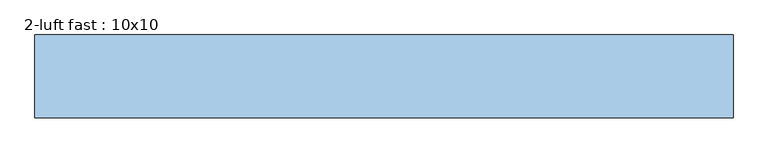
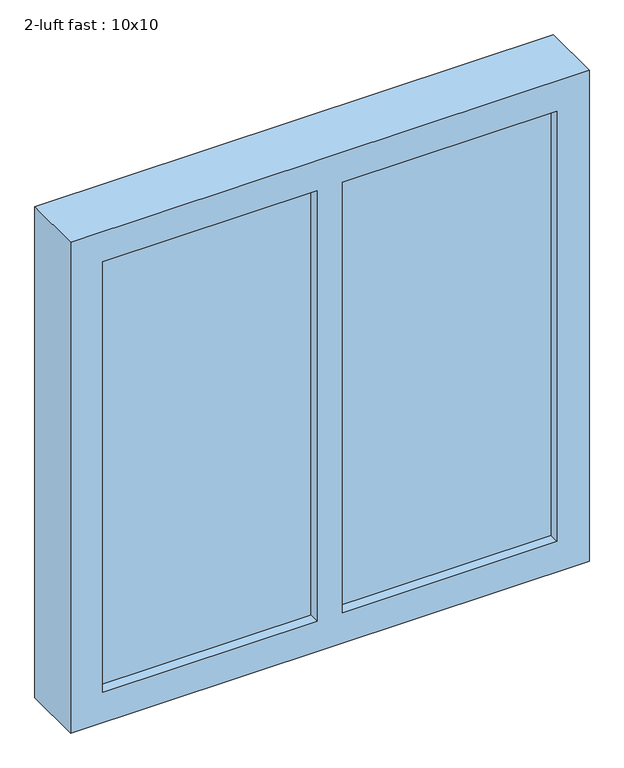
"""IFC4 building model written with IfcOpenShell, lengths in millimetres: window geometry, 2-luft fast : 10x10."""

import ifcopenshell
import ifcopenshell.guid

model = None  # the IFC model being written
_history = None  # IfcOwnerHistory: only IFC2X3 demands one
_inside = {}  # id of a spatial element -> (the spatial element, [elements in it])
_under = {}  # id of a project, library or spatial element -> (it, [spatial elements below it])
_declared = {}  # id of a project -> (the project, [libraries it declares])
_typed = {}  # id of a type object -> (the type object, [elements of that type])
_made_of = {}  # id of a material, layer set ... -> (it, [elements and type objects made of it])


def new_model(schema):
    """Start an empty IFC model of exactly this schema.

    Asked for "IFC4X3", IfcOpenShell would pick the latest addendum, in which some entities
    have other attributes; the version numbers below select the first issue.
    IFC2X3 requires an IfcOwnerHistory on every rooted entity: one is made here for all.
    """
    global model, _history
    if schema == "IFC4X3":
        model = ifcopenshell.file(schema_version=(4, 3, 0, 0))
    else:
        model = ifcopenshell.file(schema=schema)
    _inside.clear()
    _under.clear()
    _declared.clear()
    _typed.clear()
    _made_of.clear()
    _history = None
    if model.schema == "IFC2X3":
        org = make("IfcOrganization", Name="unknown")
        user = make(
            "IfcPersonAndOrganization",
            ThePerson=make("IfcPerson", FamilyName="unknown"),
            TheOrganization=org,
        )
        app = make(
            "IfcApplication",
            ApplicationDeveloper=org,
            Version="unknown",
            ApplicationFullName="unknown",
            ApplicationIdentifier="unknown",
        )
        _history = make(
            "IfcOwnerHistory",
            OwningUser=user,
            OwningApplication=app,
            ChangeAction="ADDED",
            CreationDate=0,
        )
    return model


def make(cls, **values):
    """One entity of the class cls with the attributes given. An attribute that is None is left unset."""
    return model.create_entity(
        cls, **{name: value for name, value in values.items() if value is not None}
    )


def rooted(cls, **values):
    """An entity with a GlobalId (a new one), such as an element, a storey or a relation."""
    return make(cls, GlobalId=ifcopenshell.guid.new(), OwnerHistory=_history, **values)


def si_unit(unit_type, name, prefix=None):
    """IfcSIUnit, for example si_unit("LENGTHUNIT", "METRE", prefix="MILLI")."""
    return make("IfcSIUnit", UnitType=unit_type, Prefix=prefix, Name=name)


def assignment(units):
    """IfcUnitAssignment: the units of a project."""
    return None if units is None else make("IfcUnitAssignment", Units=units)


def point(xyz):
    """IfcCartesianPoint."""
    return None if xyz is None else make("IfcCartesianPoint", Coordinates=xyz)


def direction(xyz):
    """IfcDirection."""
    return None if xyz is None else make("IfcDirection", DirectionRatios=xyz)


def frame(location, z_axis=None, x_axis=None):
    """IfcAxis2Placement3D, a coordinate frame: its origin and axes. An axis left out is left unset."""
    return make(
        "IfcAxis2Placement3D",
        Location=point(location),
        Axis=direction(z_axis),
        RefDirection=direction(x_axis),
    )


def origin():
    """The frame at (0, 0, 0) with its axes left unset."""
    return frame((0.0, 0.0, 0.0))


def place(relative_to, where):
    """IfcLocalPlacement: puts the frame where relative to a parent placement (None: the world)."""
    return make(
        "IfcLocalPlacement", PlacementRelTo=relative_to, RelativePlacement=where
    )


def context(
    kind, dimensions, precision=None, world=None, true_north=None, identifier=None
):
    """IfcGeometricRepresentationContext, for example the 3D "Model" context."""
    return make(
        "IfcGeometricRepresentationContext",
        ContextIdentifier=identifier,
        ContextType=kind,
        CoordinateSpaceDimension=dimensions,
        Precision=precision,
        WorldCoordinateSystem=world,
        TrueNorth=true_north,
    )


def project(units=None, contexts=None):
    """IfcProject with its units and contexts."""
    return rooted(
        "IfcProject",
        Name="project",
        RepresentationContexts=contexts,
        UnitsInContext=assignment(units),
    )


def spatial(cls, under=None, at=None, **own):
    """A site, building, storey or space (cls), placed at a placement, below another one or the project."""
    s = rooted(cls, ObjectPlacement=at, **own)
    if under is not None:
        _under.setdefault(under.id(), (under, []))[1].append(s)
    return s


def polyline(points):
    """IfcPolyline through the points."""
    return make("IfcPolyline", Points=[point(p) for p in points])


def outline(outer, holes=None, kind="AREA"):
    """IfcArbitraryClosedProfileDef: a profile drawn as a closed curve; with holes, ...WithVoids."""
    if holes is None:
        return make("IfcArbitraryClosedProfileDef", ProfileType=kind, OuterCurve=outer)
    return make(
        "IfcArbitraryProfileDefWithVoids",
        ProfileType=kind,
        OuterCurve=outer,
        InnerCurves=holes,
    )


def extrude(swept, where, along, depth):
    """IfcExtrudedAreaSolid: the profile swept, set in the frame where, extruded along a direction by depth."""
    return make(
        "IfcExtrudedAreaSolid",
        SweptArea=swept,
        Position=where,
        ExtrudedDirection=direction(along),
        Depth=depth,
    )


def shape(context_of_items, identifier, shape_type, items):
    """IfcShapeRepresentation: the items that make up one representation, for example the "Body"."""
    return make(
        "IfcShapeRepresentation",
        ContextOfItems=context_of_items,
        RepresentationIdentifier=identifier,
        RepresentationType=shape_type,
        Items=items,
    )


def source(mapping_origin, context_of_items, identifier, shape_type, items):
    """IfcRepresentationMap: a shape defined once, which mapped items show again and again."""
    return make(
        "IfcRepresentationMap",
        MappingOrigin=mapping_origin,
        MappedRepresentation=shape(context_of_items, identifier, shape_type, items),
    )


def transform(
    local_origin,
    x_axis=None,
    y_axis=None,
    z_axis=None,
    scale=None,
    scale2=None,
    scale3=None,
    uniform=True,
):
    """IfcCartesianTransformationOperator3D, or its non-uniform kind. x_axis, y_axis, z_axis: its Axis1, 2, 3."""
    if uniform:
        return make(
            "IfcCartesianTransformationOperator3D",
            Axis1=direction(x_axis),
            Axis2=direction(y_axis),
            LocalOrigin=point(local_origin),
            Scale=scale,
            Axis3=direction(z_axis),
        )
    return make(
        "IfcCartesianTransformationOperator3DnonUniform",
        Axis1=direction(x_axis),
        Axis2=direction(y_axis),
        LocalOrigin=point(local_origin),
        Scale=scale,
        Axis3=direction(z_axis),
        Scale2=scale2,
        Scale3=scale3,
    )


def mapped(mapping_source, mapping_target):
    """IfcMappedItem: shows the shape of a source again, moved by a transform."""
    return make(
        "IfcMappedItem", MappingSource=mapping_source, MappingTarget=mapping_target
    )


def made_of(thing, what):
    """Note that an element or type object is made of a material, layer set ...; save() writes the relation."""
    if what is not None:
        _made_of.setdefault(what.id(), (what, []))[1].append(thing)
    return thing


def element(
    cls,
    number,
    at=None,
    inside=None,
    cuts=None,
    type_object=None,
    material=None,
    context=None,
    identifier="Body",
    shape_type=None,
    held_by="IfcProductDefinitionShape",
    body=None,
    shapes=None,
    **own,
):
    """One element of the class cls, such as IfcWall. Its Tag is "e" and its number.

    at: its placement. inside: the storey or other place that contains it. cuts: it is an
    opening in that element (IfcRelVoidsElement). A single representation is given by context,
    identifier, shape_type and body (its items); several are given by shapes. held_by: the class
    of the entity that holds the representations. save() writes the other relations.
    """
    e = rooted(cls, Tag="e%d" % number, ObjectPlacement=at, **own)
    if body is not None:
        shapes = [shape(context, identifier, shape_type, body)]
    if shapes is not None:
        e.Representation = make(held_by, Representations=shapes)
    if inside is not None:
        _inside.setdefault(inside.id(), (inside, []))[1].append(e)
    if cuts is not None:
        rooted(
            "IfcRelVoidsElement", RelatingBuildingElement=cuts, RelatedOpeningElement=e
        )
    if type_object is not None:
        _typed.setdefault(type_object.id(), (type_object, []))[1].append(e)
    return made_of(e, material)


def aggregate(whole, parts):
    """IfcRelAggregates: a whole, such as a stair, and the parts it consists of."""
    return rooted("IfcRelAggregates", RelatingObject=whole, RelatedObjects=parts)


def save(model, path):
    """Write the relations noted so far, then the file.

    IfcRelAggregates (storeys below a building ...), IfcRelContainedInSpatialStructure (elements
    in a storey), IfcRelDefinesByType, IfcRelAssociatesMaterial and IfcRelDeclares: one each for
    every whole, place, type object, material and project.
    """
    for whole, parts in _under.values():
        aggregate(whole, parts)
    for where, things in _inside.values():
        rooted(
            "IfcRelContainedInSpatialStructure",
            RelatedElements=things,
            RelatingStructure=where,
        )
    for kind, things in _typed.values():
        rooted("IfcRelDefinesByType", RelatedObjects=things, RelatingType=kind)
    for what, things in _made_of.values():
        rooted("IfcRelAssociatesMaterial", RelatedObjects=things, RelatingMaterial=what)
    for by, libraries in _declared.values():
        rooted("IfcRelDeclares", RelatingContext=by, RelatedDefinitions=libraries)
    model.write(path)


def window_2_luft_fast_10x10_2b529ab1(model_context):
    return source(origin(), model_context, "Body", "SweptSolid", [
        extrude(outline(polyline([(2150.0, -505.0), (1140.0, -505.0), (1140.0, 505.0), (2150.0, 505.0), (2150.0, -505.0)]), holes=[polyline([(2087.5, 25.0), (2087.5, 442.5), (1202.5, 442.5), (1202.5, 25.0), (2087.5, 25.0)]), polyline([(1202.5, -25.0), (1202.5, -442.5), (2087.5, -442.5), (2087.5, -25.0), (1202.5, -25.0)])]), frame((0.0, 128.0, 0.0), z_axis=(0.0, 1.0, 0.0), x_axis=(0.0, 0.0, 1.0)), (0.0, 0.0, 1.0), 120.0),
        extrude(outline(polyline([(442.5, 148.0), (25.0, 148.0), (25.0, 228.0), (442.5, 228.0), (442.5, 148.0)])), frame((0.0, 0.0, 1202.5), z_axis=(0.0, 0.0, 1.0), x_axis=(1.0, 0.0, 0.0)), (0.0, 0.0, 1.0), 885.0),
        extrude(outline(polyline([(-25.0, 148.0), (-442.5, 148.0), (-442.5, 228.0), (-25.0, 228.0), (-25.0, 148.0)])), frame((0.0, 0.0, 1202.5), z_axis=(0.0, 0.0, 1.0), x_axis=(1.0, 0.0, 0.0)), (0.0, 0.0, 1.0), 885.0),
    ])


if __name__ == "__main__":
    model = new_model("IFC4")
    model_context = context("Model", 3, world=origin())
    ifc_project = project(units=[si_unit("LENGTHUNIT", "METRE", prefix="MILLI")], contexts=[model_context])
    site = spatial("IfcSite", under=ifc_project)
    building = spatial("IfcBuilding", under=site)
    placement = place(None, origin())
    window_2_luft_fast_10x10_shape = window_2_luft_fast_10x10_2b529ab1(model_context)
    element("IfcWindow", 1, ObjectType="2-luft fast : 10x10", at=placement, inside=building, context=model_context, shape_type="MappedRepresentation", body=[
        mapped(window_2_luft_fast_10x10_shape, transform((0.0, 0.0, 0.0), x_axis=(1.0, 0.0, 0.0), y_axis=(0.0, 1.0, 0.0), z_axis=(0.0, 0.0, 1.0))),
    ])
    save(model, "model.ifc")
